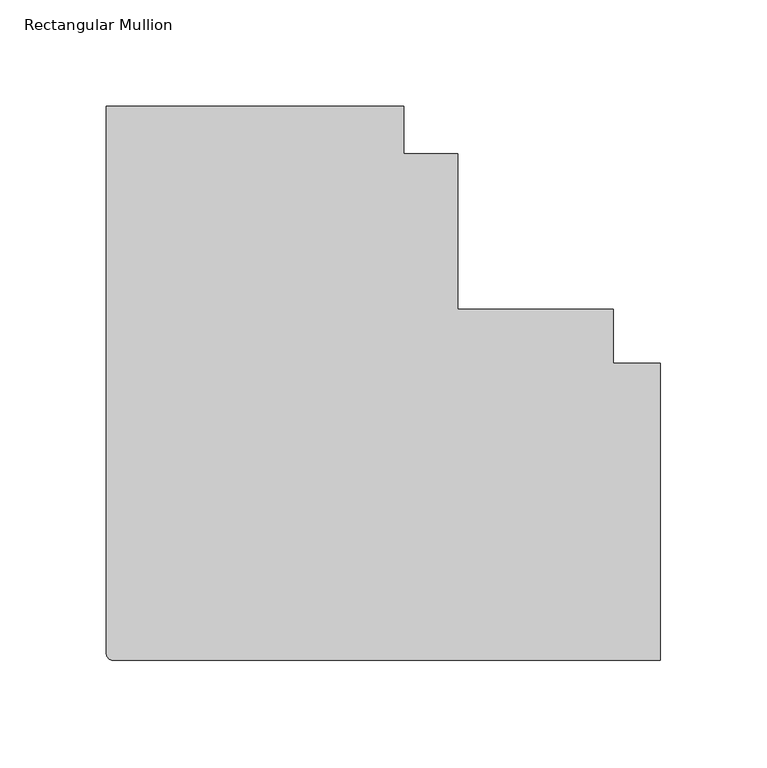
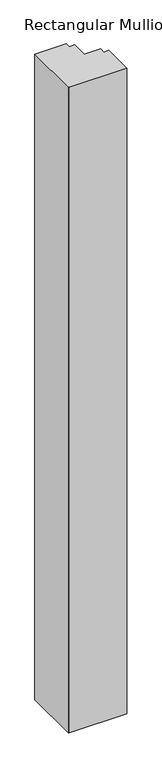
"""IFC4 building model written with IfcOpenShell, lengths in millimetres: member geometry, Rectangular Mullion."""

from ifc_helpers import new_model, si_unit, point, frame, frame_2d, origin, place, context, project, spatial, polyline, circle_curve, trimmed, segment, composite_curve, outline, extrude, source, transform, mapped, element, save


def rectangular_mullion_93ebaeae(model_context):
    return source(origin(), model_context, "Body", "SweptSolid", [
        extrude(outline(composite_curve([segment(trimmed(circle_curve(frame_2d((-257.175, -96.8892678)), 3.175), [point((-257.175, -100.0642678))], [point((-260.35, -96.8892678))], False, "CARTESIAN"), True, "CONTINUOUS"), segment(polyline([(-260.35, -96.8892678), (-260.35, 160.2857322), (-120.6499944, 160.2857322), (-120.6499944, 138.0608454), (-95.25, 138.0608454), (-95.25, 65.0357322), (-22.2248868, 65.0357322), (-22.2248868, 39.6357378), (0.0, 39.6357378), (0.0, -100.0642678), (-257.175, -100.0642678)]), True, "CONTINUOUS")], self_intersect=False)), frame((0.0, 0.0, -3048.0), z_axis=(0.0, 0.0, 1.0), x_axis=(1.0, 0.0, 0.0)), (0.0, 0.0, 1.0), 3048.0),
    ])


if __name__ == "__main__":
    model = new_model("IFC4")
    model_context = context("Model", 3, world=origin())
    ifc_project = project(units=[si_unit("LENGTHUNIT", "METRE", prefix="MILLI")], contexts=[model_context])
    site = spatial("IfcSite", under=ifc_project)
    building = spatial("IfcBuilding", under=site)
    placement = place(None, origin())
    rectangular_mullion_shape = rectangular_mullion_93ebaeae(model_context)
    element("IfcMember", 1, ObjectType="Rectangular Mullion", at=placement, inside=building, context=model_context, shape_type="MappedRepresentation", body=[
        mapped(rectangular_mullion_shape, transform((0.0, 0.0, 0.0), x_axis=(1.0, 0.0, 0.0), y_axis=(0.0, 1.0, 0.0), z_axis=(0.0, 0.0, 1.0))),
    ])
    save(model, "model.ifc")
